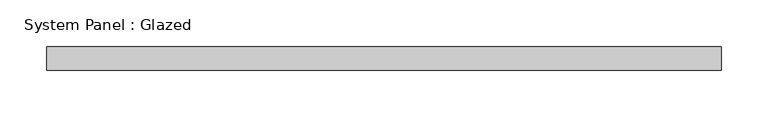
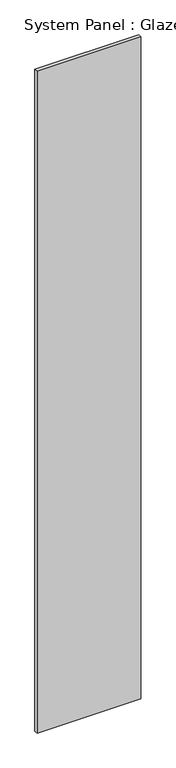
"""IFC4 building model written with IfcOpenShell, lengths in millimetres: plate geometry, System Panel : Glazed."""

from ifc_helpers import new_model, si_unit, origin, origin_with_axes, place, context, project, spatial, polyline, outline, extrude, source, transform, mapped, element, save


def system_panel_glazed_436c3353(model_context):
    return source(origin(), model_context, "Body", "SweptSolid", [
        extrude(outline(polyline([(361.95, 19.05), (-361.95, 19.05), (-361.95, 44.45), (361.95, 44.45), (361.95, 19.05)])), origin_with_axes(), (0.0, 0.0, 1.0), 4876.8),
    ])


if __name__ == "__main__":
    model = new_model("IFC4")
    model_context = context("Model", 3, world=origin())
    ifc_project = project(units=[si_unit("LENGTHUNIT", "METRE", prefix="MILLI")], contexts=[model_context])
    site = spatial("IfcSite", under=ifc_project)
    building = spatial("IfcBuilding", under=site)
    placement = place(None, origin())
    system_panel_glazed_shape = system_panel_glazed_436c3353(model_context)
    element("IfcPlate", 1, ObjectType="System Panel : Glazed", at=placement, inside=building, context=model_context, shape_type="MappedRepresentation", body=[
        mapped(system_panel_glazed_shape, transform((0.0, 0.0, 0.0), x_axis=(1.0, 0.0, 0.0), y_axis=(0.0, 1.0, 0.0), z_axis=(0.0, 0.0, 1.0))),
    ])
    save(model, "model.ifc")
